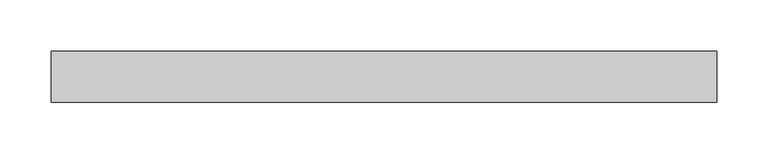
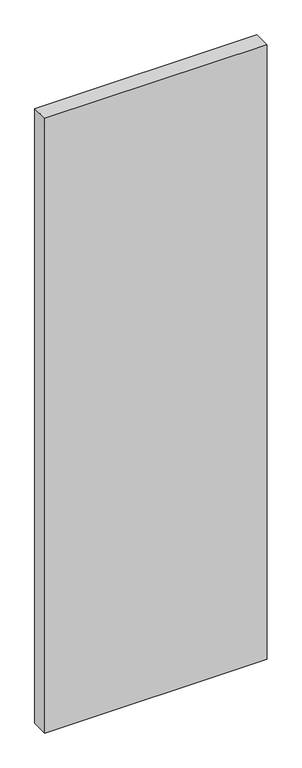
"""IFC4 building model written with IfcOpenShell, lengths in millimetres: plate geometry."""

import ifcopenshell
import ifcopenshell.guid

model = None  # the IFC model being written
_history = None  # IfcOwnerHistory: only IFC2X3 demands one
_inside = {}  # id of a spatial element -> (the spatial element, [elements in it])
_under = {}  # id of a project, library or spatial element -> (it, [spatial elements below it])
_declared = {}  # id of a project -> (the project, [libraries it declares])
_typed = {}  # id of a type object -> (the type object, [elements of that type])
_made_of = {}  # id of a material, layer set ... -> (it, [elements and type objects made of it])


def new_model(schema):
    """Start an empty IFC model of exactly this schema.

    Asked for "IFC4X3", IfcOpenShell would pick the latest addendum, in which some entities
    have other attributes; the version numbers below select the first issue.
    IFC2X3 requires an IfcOwnerHistory on every rooted entity: one is made here for all.
    """
    global model, _history
    if schema == "IFC4X3":
        model = ifcopenshell.file(schema_version=(4, 3, 0, 0))
    else:
        model = ifcopenshell.file(schema=schema)
    _inside.clear()
    _under.clear()
    _declared.clear()
    _typed.clear()
    _made_of.clear()
    _history = None
    if model.schema == "IFC2X3":
        org = make("IfcOrganization", Name="unknown")
        user = make(
            "IfcPersonAndOrganization",
            ThePerson=make("IfcPerson", FamilyName="unknown"),
            TheOrganization=org,
        )
        app = make(
            "IfcApplication",
            ApplicationDeveloper=org,
            Version="unknown",
            ApplicationFullName="unknown",
            ApplicationIdentifier="unknown",
        )
        _history = make(
            "IfcOwnerHistory",
            OwningUser=user,
            OwningApplication=app,
            ChangeAction="ADDED",
            CreationDate=0,
        )
    return model


def make(cls, **values):
    """One entity of the class cls with the attributes given. An attribute that is None is left unset."""
    return model.create_entity(
        cls, **{name: value for name, value in values.items() if value is not None}
    )


def rooted(cls, **values):
    """An entity with a GlobalId (a new one), such as an element, a storey or a relation."""
    return make(cls, GlobalId=ifcopenshell.guid.new(), OwnerHistory=_history, **values)


def si_unit(unit_type, name, prefix=None):
    """IfcSIUnit, for example si_unit("LENGTHUNIT", "METRE", prefix="MILLI")."""
    return make("IfcSIUnit", UnitType=unit_type, Prefix=prefix, Name=name)


def assignment(units):
    """IfcUnitAssignment: the units of a project."""
    return None if units is None else make("IfcUnitAssignment", Units=units)


def point(xyz):
    """IfcCartesianPoint."""
    return None if xyz is None else make("IfcCartesianPoint", Coordinates=xyz)


def direction(xyz):
    """IfcDirection."""
    return None if xyz is None else make("IfcDirection", DirectionRatios=xyz)


def frame(location, z_axis=None, x_axis=None):
    """IfcAxis2Placement3D, a coordinate frame: its origin and axes. An axis left out is left unset."""
    return make(
        "IfcAxis2Placement3D",
        Location=point(location),
        Axis=direction(z_axis),
        RefDirection=direction(x_axis),
    )


def origin():
    """The frame at (0, 0, 0) with its axes left unset."""
    return frame((0.0, 0.0, 0.0))


def origin_with_axes():
    """The frame at (0, 0, 0) with the z axis (0, 0, 1) and the x axis (1, 0, 0) written out."""
    return frame((0.0, 0.0, 0.0), z_axis=(0.0, 0.0, 1.0), x_axis=(1.0, 0.0, 0.0))


def place(relative_to, where):
    """IfcLocalPlacement: puts the frame where relative to a parent placement (None: the world)."""
    return make(
        "IfcLocalPlacement", PlacementRelTo=relative_to, RelativePlacement=where
    )


def context(
    kind, dimensions, precision=None, world=None, true_north=None, identifier=None
):
    """IfcGeometricRepresentationContext, for example the 3D "Model" context."""
    return make(
        "IfcGeometricRepresentationContext",
        ContextIdentifier=identifier,
        ContextType=kind,
        CoordinateSpaceDimension=dimensions,
        Precision=precision,
        WorldCoordinateSystem=world,
        TrueNorth=true_north,
    )


def project(units=None, contexts=None):
    """IfcProject with its units and contexts."""
    return rooted(
        "IfcProject",
        Name="project",
        RepresentationContexts=contexts,
        UnitsInContext=assignment(units),
    )


def spatial(cls, under=None, at=None, **own):
    """A site, building, storey or space (cls), placed at a placement, below another one or the project."""
    s = rooted(cls, ObjectPlacement=at, **own)
    if under is not None:
        _under.setdefault(under.id(), (under, []))[1].append(s)
    return s


def polyline(points):
    """IfcPolyline through the points."""
    return make("IfcPolyline", Points=[point(p) for p in points])


def outline(outer, holes=None, kind="AREA"):
    """IfcArbitraryClosedProfileDef: a profile drawn as a closed curve; with holes, ...WithVoids."""
    if holes is None:
        return make("IfcArbitraryClosedProfileDef", ProfileType=kind, OuterCurve=outer)
    return make(
        "IfcArbitraryProfileDefWithVoids",
        ProfileType=kind,
        OuterCurve=outer,
        InnerCurves=holes,
    )


def extrude(swept, where, along, depth):
    """IfcExtrudedAreaSolid: the profile swept, set in the frame where, extruded along a direction by depth."""
    return make(
        "IfcExtrudedAreaSolid",
        SweptArea=swept,
        Position=where,
        ExtrudedDirection=direction(along),
        Depth=depth,
    )


def shape(context_of_items, identifier, shape_type, items):
    """IfcShapeRepresentation: the items that make up one representation, for example the "Body"."""
    return make(
        "IfcShapeRepresentation",
        ContextOfItems=context_of_items,
        RepresentationIdentifier=identifier,
        RepresentationType=shape_type,
        Items=items,
    )


def source(mapping_origin, context_of_items, identifier, shape_type, items):
    """IfcRepresentationMap: a shape defined once, which mapped items show again and again."""
    return make(
        "IfcRepresentationMap",
        MappingOrigin=mapping_origin,
        MappedRepresentation=shape(context_of_items, identifier, shape_type, items),
    )


def transform(
    local_origin,
    x_axis=None,
    y_axis=None,
    z_axis=None,
    scale=None,
    scale2=None,
    scale3=None,
    uniform=True,
):
    """IfcCartesianTransformationOperator3D, or its non-uniform kind. x_axis, y_axis, z_axis: its Axis1, 2, 3."""
    if uniform:
        return make(
            "IfcCartesianTransformationOperator3D",
            Axis1=direction(x_axis),
            Axis2=direction(y_axis),
            LocalOrigin=point(local_origin),
            Scale=scale,
            Axis3=direction(z_axis),
        )
    return make(
        "IfcCartesianTransformationOperator3DnonUniform",
        Axis1=direction(x_axis),
        Axis2=direction(y_axis),
        LocalOrigin=point(local_origin),
        Scale=scale,
        Axis3=direction(z_axis),
        Scale2=scale2,
        Scale3=scale3,
    )


def mapped(mapping_source, mapping_target):
    """IfcMappedItem: shows the shape of a source again, moved by a transform."""
    return make(
        "IfcMappedItem", MappingSource=mapping_source, MappingTarget=mapping_target
    )


def made_of(thing, what):
    """Note that an element or type object is made of a material, layer set ...; save() writes the relation."""
    if what is not None:
        _made_of.setdefault(what.id(), (what, []))[1].append(thing)
    return thing


def element(
    cls,
    number,
    at=None,
    inside=None,
    cuts=None,
    type_object=None,
    material=None,
    context=None,
    identifier="Body",
    shape_type=None,
    held_by="IfcProductDefinitionShape",
    body=None,
    shapes=None,
    **own,
):
    """One element of the class cls, such as IfcWall. Its Tag is "e" and its number.

    at: its placement. inside: the storey or other place that contains it. cuts: it is an
    opening in that element (IfcRelVoidsElement). A single representation is given by context,
    identifier, shape_type and body (its items); several are given by shapes. held_by: the class
    of the entity that holds the representations. save() writes the other relations.
    """
    e = rooted(cls, Tag="e%d" % number, ObjectPlacement=at, **own)
    if body is not None:
        shapes = [shape(context, identifier, shape_type, body)]
    if shapes is not None:
        e.Representation = make(held_by, Representations=shapes)
    if inside is not None:
        _inside.setdefault(inside.id(), (inside, []))[1].append(e)
    if cuts is not None:
        rooted(
            "IfcRelVoidsElement", RelatingBuildingElement=cuts, RelatedOpeningElement=e
        )
    if type_object is not None:
        _typed.setdefault(type_object.id(), (type_object, []))[1].append(e)
    return made_of(e, material)


def aggregate(whole, parts):
    """IfcRelAggregates: a whole, such as a stair, and the parts it consists of."""
    return rooted("IfcRelAggregates", RelatingObject=whole, RelatedObjects=parts)


def save(model, path):
    """Write the relations noted so far, then the file.

    IfcRelAggregates (storeys below a building ...), IfcRelContainedInSpatialStructure (elements
    in a storey), IfcRelDefinesByType, IfcRelAssociatesMaterial and IfcRelDeclares: one each for
    every whole, place, type object, material and project.
    """
    for whole, parts in _under.values():
        aggregate(whole, parts)
    for where, things in _inside.values():
        rooted(
            "IfcRelContainedInSpatialStructure",
            RelatedElements=things,
            RelatingStructure=where,
        )
    for kind, things in _typed.values():
        rooted("IfcRelDefinesByType", RelatedObjects=things, RelatingType=kind)
    for what, things in _made_of.values():
        rooted("IfcRelAssociatesMaterial", RelatedObjects=things, RelatingMaterial=what)
    for by, libraries in _declared.values():
        rooted("IfcRelDeclares", RelatingContext=by, RelatedDefinitions=libraries)
    model.write(path)


def plate_b477a77f(model_context):
    return source(origin(), model_context, "Body", "SweptSolid", [
        extrude(outline(polyline([(325.0, -25.0), (-325.0, -25.0), (-325.0, 25.0), (325.0, 25.0), (325.0, -25.0)])), origin_with_axes(), (0.0, 0.0, 1.0), 1900.0),
    ])


if __name__ == "__main__":
    model = new_model("IFC4")
    model_context = context("Model", 3, world=origin())
    ifc_project = project(units=[si_unit("LENGTHUNIT", "METRE", prefix="MILLI")], contexts=[model_context])
    site = spatial("IfcSite", under=ifc_project)
    building = spatial("IfcBuilding", under=site)
    placement = place(None, origin())
    plate_shape = plate_b477a77f(model_context)
    element("IfcPlate", 1, at=placement, inside=building, context=model_context, shape_type="MappedRepresentation", body=[
        mapped(plate_shape, transform((0.0, 0.0, 0.0), x_axis=(1.0, 0.0, 0.0), y_axis=(0.0, 1.0, 0.0), z_axis=(0.0, 0.0, 1.0))),
    ])
    save(model, "model.ifc")
